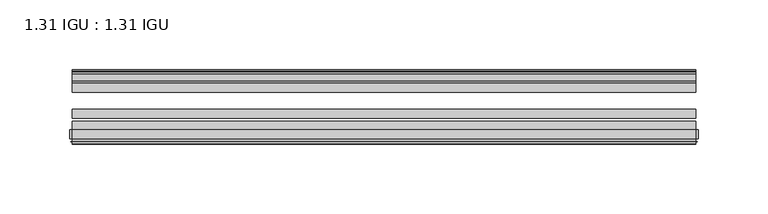
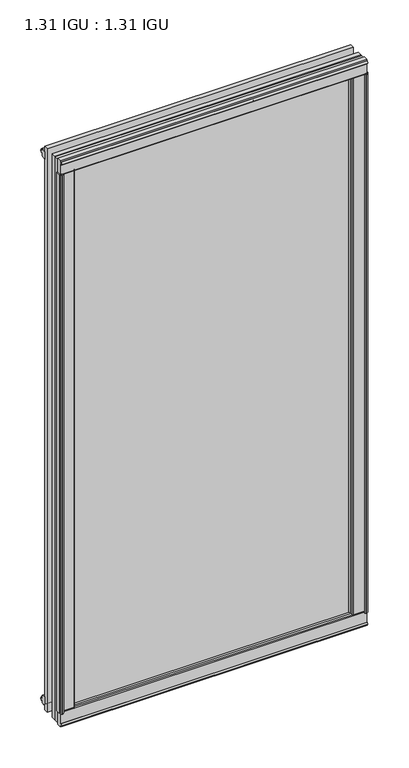
"""IFC4 building model written with IfcOpenShell, lengths in millimetres: plate geometry, 1.31 IGU : 1.31 IGU."""

from ifc_helpers import new_model, si_unit, point, frame, frame_2d, origin, origin_with_axes, place, context, project, spatial, polyline, circle_curve, trimmed, segment, composite_curve, outline, extrude, source, transform, mapped, element, save


def plate_1_31_igu_1_31_igu_ef072d46(model_context):
    return source(origin(), model_context, "Body", "SweptSolid", [
        extrude(outline(polyline([(210.8795845, -11.1943457), (209.4775511, -11.5700195), (209.247461, -10.7113114), (211.660461, -10.06475), (214.073461, -10.7113114), (213.8433709, -11.5700195), (212.4413375, -11.1943457), (213.057461, -13.49375), (216.7360351, -13.49375), (216.7360351, -18.1284104), (215.3073905, -19.84375), (203.5947198, -19.84375), (205.310461, -13.49375), (210.263461, -13.49375), (210.8795845, -11.1943457)])), origin_with_axes(), (0.0, 0.0, 1.0), 831.85),
        extrude(outline(polyline([(-210.8795845, -11.1943457), (-210.263461, -13.49375), (-205.310461, -13.49375), (-203.5947198, -19.84375), (-215.3073905, -19.84375), (-216.7360351, -18.1284104), (-216.7360351, -13.49375), (-213.057461, -13.49375), (-212.4413375, -11.1943457), (-213.8433709, -11.5700195), (-214.073461, -10.7113114), (-211.660461, -10.06475), (-209.247461, -10.7113114), (-209.4775511, -11.5700195), (-210.8795845, -11.1943457)])), origin_with_axes(), (0.0, 0.0, 1.0), 831.85),
        extrude(outline(polyline([(-13.49375, -5.7276998), (-11.1943457, -6.3438233), (-11.5700195, -4.9417899), (-10.7113114, -4.7116998), (-10.06475, -7.1246998), (-10.7113114, -9.5376998), (-11.5700195, -9.3076097), (-11.1943457, -7.9055763), (-13.49375, -8.5216998), (-13.49375, -12.2002739), (-18.1284104, -12.2002739), (-19.84375, -10.7716292), (-19.84375, 0.9410414), (-13.49375, -0.7746998), (-13.49375, -5.7276998)])), frame((-223.573061, 0.0, 0.0), z_axis=(1.0, 0.0, 0.0), x_axis=(0.0, 1.0, 0.0)), (0.0, 0.0, 1.0), 447.146122),
        extrude(outline(composite_curve([segment(polyline([(-55.9719113, 2.457708), (-53.16855, 3.0868452), (-53.16855, -20.9097918), (-59.51855, -20.9097918), (-59.51855, -18.6868471), (-62.0391488, -18.0752025), (-61.5965021, -19.0933159), (-61.5965021, -19.98942), (-63.2729251, -17.4063265), (-61.3290281, -15.2058028), (-61.3290281, -16.0360741), (-61.9417436, -16.9618553), (-59.51855, -16.8077164), (-59.51855, 0.6826418)]), True, "CONTINUOUS"), segment(trimmed(circle_curve(frame_2d((-58.24855, 0.6826418)), 1.27), [point((-59.51855, 0.6826418))], [point((-58.6007815, 1.9028193))], False, "CARTESIAN"), True, "CONTINUOUS"), segment(polyline([(-58.6007815, 1.9028193), (-55.9719113, 2.457708)]), True, "CONTINUOUS")], self_intersect=False)), frame((-223.573061, 0.0, 0.0), z_axis=(1.0, 0.0, 0.0), x_axis=(0.0, 1.0, 0.0)), (0.0, 0.0, 1.0), 447.146122),
        extrude(outline(polyline([(-13.49375, 837.5776998), (-13.49375, 832.6246998), (-19.84375, 830.9089586), (-19.84375, 842.6216292), (-18.1284104, 844.0502739), (-13.49375, 844.0502739), (-13.49375, 840.3716998), (-11.1943457, 839.7555763), (-11.5700195, 841.1576097), (-10.7113114, 841.3876998), (-10.06475, 838.9746998), (-10.7113114, 836.5616998), (-11.5700195, 836.7917899), (-11.1943457, 838.1938233), (-13.49375, 837.5776998)])), frame((-223.573061, 0.0, 0.0), z_axis=(1.0, 0.0, 0.0), x_axis=(0.0, 1.0, 0.0)), (0.0, 0.0, 1.0), 447.146122),
        extrude(outline(composite_curve([segment(polyline([(-55.9719113, 829.392292), (-58.6007815, 829.9471807)]), True, "CONTINUOUS"), segment(trimmed(circle_curve(frame_2d((-58.24855, 831.1673582)), 1.27), [point((-58.6007815, 829.9471807))], [point((-59.51855, 831.1673582))], False, "CARTESIAN"), True, "CONTINUOUS"), segment(polyline([(-59.51855, 831.1673582), (-59.51855, 848.6577164), (-61.9417436, 848.8118553), (-61.3290281, 847.8860741), (-61.3290281, 847.0558028), (-63.2729251, 849.2563265), (-61.5965021, 851.83942), (-61.5965021, 850.9433159), (-62.0391488, 849.9252025), (-59.51855, 850.5368471), (-59.51855, 852.7597918), (-53.16855, 852.7597918), (-53.16855, 828.7631548), (-55.9719113, 829.392292)]), True, "CONTINUOUS")], self_intersect=False)), frame((-223.573061, 0.0, 0.0), z_axis=(1.0, 0.0, 0.0), x_axis=(0.0, 1.0, 0.0)), (0.0, 0.0, 1.0), 447.146122),
        extrude(outline(composite_curve([segment(polyline([(-221.9420877, -63.2729251), (-224.5251812, -61.5965021), (-223.6290771, -61.5965021), (-222.6109637, -62.0391488), (-223.2226083, -59.51855), (-225.445553, -59.51855), (-225.445553, -53.16855), (-201.4489161, -53.16855), (-202.0780533, -55.9719113), (-202.6329419, -58.6007815)]), True, "CONTINUOUS"), segment(trimmed(circle_curve(frame_2d((-203.8531194, -58.24855)), 1.27), [point((-202.6329419, -58.6007815))], [point((-203.8531194, -59.51855))], False, "CARTESIAN"), True, "CONTINUOUS"), segment(polyline([(-203.8531194, -59.51855), (-221.3434777, -59.51855), (-221.4976165, -61.9417436), (-220.5718353, -61.3290281), (-219.7603073, -61.3290281), (-221.9420877, -63.2729251)]), True, "CONTINUOUS")], self_intersect=False)), origin_with_axes(), (0.0, 0.0, 1.0), 831.85),
        extrude(outline(composite_curve([segment(polyline([(221.9420877, -63.2729251), (219.7603073, -61.3290281), (220.5718353, -61.3290281), (221.4976165, -61.9417436), (221.3434777, -59.51855), (203.8531194, -59.51855)]), True, "CONTINUOUS"), segment(trimmed(circle_curve(frame_2d((203.8531194, -58.24855)), 1.27), [point((203.8531194, -59.51855))], [point((202.6329419, -58.6007815))], False, "CARTESIAN"), True, "CONTINUOUS"), segment(polyline([(202.6329419, -58.6007815), (202.0780533, -55.9719113), (201.4489161, -53.16855), (225.445553, -53.16855), (225.445553, -59.51855), (223.2226083, -59.51855), (222.6109637, -62.0391488), (223.6290771, -61.5965021), (224.5251812, -61.5965021), (221.9420877, -63.2729251)]), True, "CONTINUOUS")], self_intersect=False)), origin_with_axes(), (0.0, 0.0, 1.0), 831.85),
        extrude(outline(polyline([(223.573061, -19.84375), (223.573061, -26.14295), (-223.573061, -26.14295), (-223.573061, -19.84375), (223.573061, -19.84375)])), frame((0.0, 0.0, -19.05), z_axis=(0.0, 0.0, 1.0), x_axis=(1.0, 0.0, 0.0)), (0.0, 0.0, 1.0), 869.95),
        extrude(outline(polyline([(-223.573061, -44.83735), (-223.573061, -38.53815), (223.573061, -38.53815), (223.573061, -44.83735), (-223.573061, -44.83735)])), frame((0.0, 0.0, -19.05), z_axis=(0.0, 0.0, 1.0), x_axis=(1.0, 0.0, 0.0)), (0.0, 0.0, 1.0), 869.95),
        extrude(outline(polyline([(-223.573061, -53.16855), (-223.573061, -46.86935), (223.573061, -46.86935), (223.573061, -53.16855), (-223.573061, -53.16855)])), frame((0.0, 0.0, -19.05), z_axis=(0.0, 0.0, 1.0), x_axis=(1.0, 0.0, 0.0)), (0.0, 0.0, 1.0), 869.95),
    ])


if __name__ == "__main__":
    model = new_model("IFC4")
    model_context = context("Model", 3, world=origin())
    ifc_project = project(units=[si_unit("LENGTHUNIT", "METRE", prefix="MILLI")], contexts=[model_context])
    site = spatial("IfcSite", under=ifc_project)
    building = spatial("IfcBuilding", under=site)
    placement = place(None, origin())
    plate_1_31_igu_1_31_igu_shape = plate_1_31_igu_1_31_igu_ef072d46(model_context)
    element("IfcPlate", 1, ObjectType="1.31 IGU : 1.31 IGU", at=placement, inside=building, context=model_context, shape_type="MappedRepresentation", body=[
        mapped(plate_1_31_igu_1_31_igu_shape, transform((0.0, 0.0, 0.0), x_axis=(1.0, 0.0, 0.0), y_axis=(0.0, 1.0, 0.0), z_axis=(0.0, 0.0, 1.0))),
    ])
    save(model, "model.ifc")
